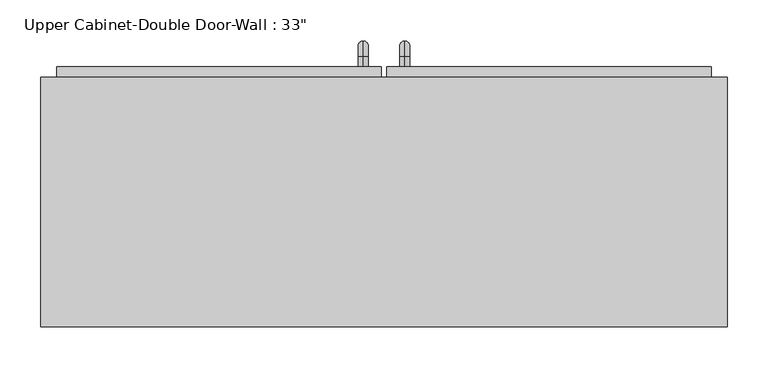
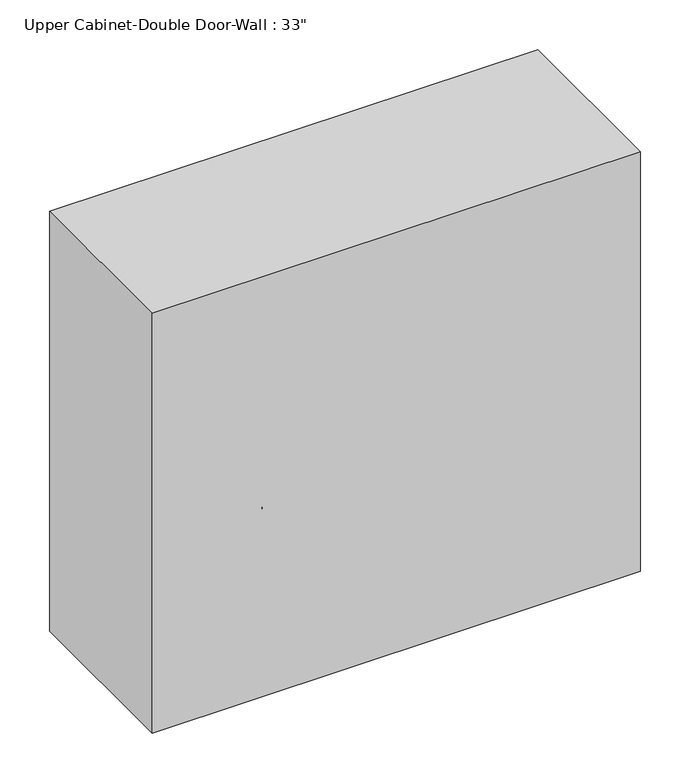
"""IFC4 building model written with IfcOpenShell, lengths in millimetres: furniture geometry."""

import ifcopenshell
import ifcopenshell.guid

model = None  # the IFC model being written
_history = None  # IfcOwnerHistory: only IFC2X3 demands one
_inside = {}  # id of a spatial element -> (the spatial element, [elements in it])
_under = {}  # id of a project, library or spatial element -> (it, [spatial elements below it])
_declared = {}  # id of a project -> (the project, [libraries it declares])
_typed = {}  # id of a type object -> (the type object, [elements of that type])
_made_of = {}  # id of a material, layer set ... -> (it, [elements and type objects made of it])


def new_model(schema):
    """Start an empty IFC model of exactly this schema.

    Asked for "IFC4X3", IfcOpenShell would pick the latest addendum, in which some entities
    have other attributes; the version numbers below select the first issue.
    IFC2X3 requires an IfcOwnerHistory on every rooted entity: one is made here for all.
    """
    global model, _history
    if schema == "IFC4X3":
        model = ifcopenshell.file(schema_version=(4, 3, 0, 0))
    else:
        model = ifcopenshell.file(schema=schema)
    _inside.clear()
    _under.clear()
    _declared.clear()
    _typed.clear()
    _made_of.clear()
    _history = None
    if model.schema == "IFC2X3":
        org = make("IfcOrganization", Name="unknown")
        user = make(
            "IfcPersonAndOrganization",
            ThePerson=make("IfcPerson", FamilyName="unknown"),
            TheOrganization=org,
        )
        app = make(
            "IfcApplication",
            ApplicationDeveloper=org,
            Version="unknown",
            ApplicationFullName="unknown",
            ApplicationIdentifier="unknown",
        )
        _history = make(
            "IfcOwnerHistory",
            OwningUser=user,
            OwningApplication=app,
            ChangeAction="ADDED",
            CreationDate=0,
        )
    return model


def make(cls, **values):
    """One entity of the class cls with the attributes given. An attribute that is None is left unset."""
    return model.create_entity(
        cls, **{name: value for name, value in values.items() if value is not None}
    )


def rooted(cls, **values):
    """An entity with a GlobalId (a new one), such as an element, a storey or a relation."""
    return make(cls, GlobalId=ifcopenshell.guid.new(), OwnerHistory=_history, **values)


def si_unit(unit_type, name, prefix=None):
    """IfcSIUnit, for example si_unit("LENGTHUNIT", "METRE", prefix="MILLI")."""
    return make("IfcSIUnit", UnitType=unit_type, Prefix=prefix, Name=name)


def assignment(units):
    """IfcUnitAssignment: the units of a project."""
    return None if units is None else make("IfcUnitAssignment", Units=units)


def point(xyz):
    """IfcCartesianPoint."""
    return None if xyz is None else make("IfcCartesianPoint", Coordinates=xyz)


def direction(xyz):
    """IfcDirection."""
    return None if xyz is None else make("IfcDirection", DirectionRatios=xyz)


def frame(location, z_axis=None, x_axis=None):
    """IfcAxis2Placement3D, a coordinate frame: its origin and axes. An axis left out is left unset."""
    return make(
        "IfcAxis2Placement3D",
        Location=point(location),
        Axis=direction(z_axis),
        RefDirection=direction(x_axis),
    )


def origin():
    """The frame at (0, 0, 0) with its axes left unset."""
    return frame((0.0, 0.0, 0.0))


def place(relative_to, where):
    """IfcLocalPlacement: puts the frame where relative to a parent placement (None: the world)."""
    return make(
        "IfcLocalPlacement", PlacementRelTo=relative_to, RelativePlacement=where
    )


def context(
    kind, dimensions, precision=None, world=None, true_north=None, identifier=None
):
    """IfcGeometricRepresentationContext, for example the 3D "Model" context."""
    return make(
        "IfcGeometricRepresentationContext",
        ContextIdentifier=identifier,
        ContextType=kind,
        CoordinateSpaceDimension=dimensions,
        Precision=precision,
        WorldCoordinateSystem=world,
        TrueNorth=true_north,
    )


def project(units=None, contexts=None):
    """IfcProject with its units and contexts."""
    return rooted(
        "IfcProject",
        Name="project",
        RepresentationContexts=contexts,
        UnitsInContext=assignment(units),
    )


def spatial(cls, under=None, at=None, **own):
    """A site, building, storey or space (cls), placed at a placement, below another one or the project."""
    s = rooted(cls, ObjectPlacement=at, **own)
    if under is not None:
        _under.setdefault(under.id(), (under, []))[1].append(s)
    return s


def polyline(points):
    """IfcPolyline through the points."""
    return make("IfcPolyline", Points=[point(p) for p in points])


def circle_curve(where, radius):
    """IfcCircle in the frame where."""
    return make("IfcCircle", Position=where, Radius=radius)


def ellipse_curve(where, semi_axis1, semi_axis2):
    """IfcEllipse in the frame where."""
    return make(
        "IfcEllipse", Position=where, SemiAxis1=semi_axis1, SemiAxis2=semi_axis2
    )


def trimmed(basis, trim1, trim2, sense, master):
    """IfcTrimmedCurve: the piece of a basis curve between two trims."""
    return make(
        "IfcTrimmedCurve",
        BasisCurve=basis,
        Trim1=trim1,
        Trim2=trim2,
        SenseAgreement=sense,
        MasterRepresentation=master,
    )


def outline(outer, holes=None, kind="AREA"):
    """IfcArbitraryClosedProfileDef: a profile drawn as a closed curve; with holes, ...WithVoids."""
    if holes is None:
        return make("IfcArbitraryClosedProfileDef", ProfileType=kind, OuterCurve=outer)
    return make(
        "IfcArbitraryProfileDefWithVoids",
        ProfileType=kind,
        OuterCurve=outer,
        InnerCurves=holes,
    )


def extrude(swept, where, along, depth):
    """IfcExtrudedAreaSolid: the profile swept, set in the frame where, extruded along a direction by depth."""
    return make(
        "IfcExtrudedAreaSolid",
        SweptArea=swept,
        Position=where,
        ExtrudedDirection=direction(along),
        Depth=depth,
    )


def faces_of(points, faces, orient=None, outer=None):
    """IfcFace entities. A face is a list of loops; a loop is a list of indices into points, from 0.

    orient and outer hold one flag for each loop. By default every Orientation is true, the
    first loop of a face is its IfcFaceOuterBound and the others are IfcFaceBound.
    """
    made = []
    for i, loops in enumerate(faces):
        bounds = []
        for j, loop in enumerate(loops):
            is_outer = j == 0 if outer is None else outer[i][j]
            bounds.append(
                make(
                    "IfcFaceOuterBound" if is_outer else "IfcFaceBound",
                    Bound=make("IfcPolyLoop", Polygon=[points[k] for k in loop]),
                    Orientation=True if orient is None else orient[i][j],
                )
            )
        made.append(make("IfcFace", Bounds=bounds))
    return made


def faceted_brep(points, faces, orient=None, outer=None, voids=None):
    """IfcFacetedBrep: a solid bounded by flat faces; with voids (closed shells), ...WithVoids."""
    shared = [point(p) for p in points]
    hull = make("IfcClosedShell", CfsFaces=faces_of(shared, faces, orient, outer))
    if voids is None:
        return make("IfcFacetedBrep", Outer=hull)
    return make(
        "IfcFacetedBrepWithVoids",
        Outer=hull,
        Voids=[
            make(cls, CfsFaces=faces_of(shared, fs, o, b)) for cls, fs, o, b in voids
        ],
    )


def shape(context_of_items, identifier, shape_type, items):
    """IfcShapeRepresentation: the items that make up one representation, for example the "Body"."""
    return make(
        "IfcShapeRepresentation",
        ContextOfItems=context_of_items,
        RepresentationIdentifier=identifier,
        RepresentationType=shape_type,
        Items=items,
    )


def source(mapping_origin, context_of_items, identifier, shape_type, items):
    """IfcRepresentationMap: a shape defined once, which mapped items show again and again."""
    return make(
        "IfcRepresentationMap",
        MappingOrigin=mapping_origin,
        MappedRepresentation=shape(context_of_items, identifier, shape_type, items),
    )


def transform(
    local_origin,
    x_axis=None,
    y_axis=None,
    z_axis=None,
    scale=None,
    scale2=None,
    scale3=None,
    uniform=True,
):
    """IfcCartesianTransformationOperator3D, or its non-uniform kind. x_axis, y_axis, z_axis: its Axis1, 2, 3."""
    if uniform:
        return make(
            "IfcCartesianTransformationOperator3D",
            Axis1=direction(x_axis),
            Axis2=direction(y_axis),
            LocalOrigin=point(local_origin),
            Scale=scale,
            Axis3=direction(z_axis),
        )
    return make(
        "IfcCartesianTransformationOperator3DnonUniform",
        Axis1=direction(x_axis),
        Axis2=direction(y_axis),
        LocalOrigin=point(local_origin),
        Scale=scale,
        Axis3=direction(z_axis),
        Scale2=scale2,
        Scale3=scale3,
    )


def mapped(mapping_source, mapping_target):
    """IfcMappedItem: shows the shape of a source again, moved by a transform."""
    return make(
        "IfcMappedItem", MappingSource=mapping_source, MappingTarget=mapping_target
    )


def made_of(thing, what):
    """Note that an element or type object is made of a material, layer set ...; save() writes the relation."""
    if what is not None:
        _made_of.setdefault(what.id(), (what, []))[1].append(thing)
    return thing


def element(
    cls,
    number,
    at=None,
    inside=None,
    cuts=None,
    type_object=None,
    material=None,
    context=None,
    identifier="Body",
    shape_type=None,
    held_by="IfcProductDefinitionShape",
    body=None,
    shapes=None,
    **own,
):
    """One element of the class cls, such as IfcWall. Its Tag is "e" and its number.

    at: its placement. inside: the storey or other place that contains it. cuts: it is an
    opening in that element (IfcRelVoidsElement). A single representation is given by context,
    identifier, shape_type and body (its items); several are given by shapes. held_by: the class
    of the entity that holds the representations. save() writes the other relations.
    """
    e = rooted(cls, Tag="e%d" % number, ObjectPlacement=at, **own)
    if body is not None:
        shapes = [shape(context, identifier, shape_type, body)]
    if shapes is not None:
        e.Representation = make(held_by, Representations=shapes)
    if inside is not None:
        _inside.setdefault(inside.id(), (inside, []))[1].append(e)
    if cuts is not None:
        rooted(
            "IfcRelVoidsElement", RelatingBuildingElement=cuts, RelatedOpeningElement=e
        )
    if type_object is not None:
        _typed.setdefault(type_object.id(), (type_object, []))[1].append(e)
    return made_of(e, material)


def aggregate(whole, parts):
    """IfcRelAggregates: a whole, such as a stair, and the parts it consists of."""
    return rooted("IfcRelAggregates", RelatingObject=whole, RelatedObjects=parts)


def save(model, path):
    """Write the relations noted so far, then the file.

    IfcRelAggregates (storeys below a building ...), IfcRelContainedInSpatialStructure (elements
    in a storey), IfcRelDefinesByType, IfcRelAssociatesMaterial and IfcRelDeclares: one each for
    every whole, place, type object, material and project.
    """
    for whole, parts in _under.values():
        aggregate(whole, parts)
    for where, things in _inside.values():
        rooted(
            "IfcRelContainedInSpatialStructure",
            RelatedElements=things,
            RelatingStructure=where,
        )
    for kind, things in _typed.values():
        rooted("IfcRelDefinesByType", RelatedObjects=things, RelatingType=kind)
    for what, things in _made_of.values():
        rooted("IfcRelAssociatesMaterial", RelatedObjects=things, RelatingMaterial=what)
    for by, libraries in _declared.values():
        rooted("IfcRelDeclares", RelatingContext=by, RelatedDefinitions=libraries)
    model.write(path)


def plane_surface(at):
    """IfcPlane: the flat surface through the origin of the frame at, square to its z axis."""
    return make("IfcPlane", Position=at)


def cylinder_surface(at, radius):
    """IfcCylindricalSurface: all points at the distance radius from the z axis of the frame at."""
    return make("IfcCylindricalSurface", Position=at, Radius=radius)


def revolved_surface(curve, axis_point, axis_direction):
    """IfcSurfaceOfRevolution: the curve turned about the line through axis_point along axis_direction."""
    return make(
        "IfcSurfaceOfRevolution",
        SweptCurve=make("IfcArbitraryOpenProfileDef", ProfileType="CURVE", Curve=curve),
        AxisPosition=make("IfcAxis1Placement", Location=point(axis_point), Axis=direction(axis_direction)),
    )


def advanced_brep(points, edges, surfaces, faces):
    """IfcAdvancedBrep: a solid bounded by faces that lie on surfaces and meet in shared edges.

    An edge is (start, end): straight between two places in points (the first is 0);
    or (start, end, curve); or (start, end, curve, False) where it runs against its curve.
    A face is (place in surfaces, loops), or (place, loops, False) where it looks against
    its surface's normal. A loop lists edges by number (the first is 1), with a minus sign
    where the edge is run from its end to its start. The first loop is the outer one.
    """
    corners = [point(p) for p in points]
    vertices = [make("IfcVertexPoint", VertexGeometry=c) for c in corners]
    made = []
    for start, end, *more in edges:
        made.append(
            make(
                "IfcEdgeCurve",
                EdgeStart=vertices[start],
                EdgeEnd=vertices[end],
                EdgeGeometry=more[0] if more else make("IfcPolyline", Points=[corners[start], corners[end]]),
                SameSense=more[1] if len(more) > 1 else True,
            )
        )
    hull = []
    for where, loops, *sense in faces:
        bounds = []
        for j, loop in enumerate(loops):
            ring = [make("IfcOrientedEdge", EdgeElement=made[abs(k) - 1], Orientation=k > 0) for k in loop]
            bounds.append(
                make(
                    "IfcFaceOuterBound" if j == 0 else "IfcFaceBound",
                    Bound=make("IfcEdgeLoop", EdgeList=ring),
                    Orientation=True,
                )
            )
        hull.append(make("IfcAdvancedFace", Bounds=bounds, FaceSurface=surfaces[where], SameSense=sense[0] if sense else True))
    return make("IfcAdvancedBrep", Outer=make("IfcClosedShell", CfsFaces=hull))


def furniture_72fdcf35(model_context):
    return source(origin(), model_context, "Body", "SolidModel", [
        faceted_brep([(-389.3288372, 101.6, 2133.6), (-389.3288372, 101.6, 1371.6), (448.8711628, 101.6, 1371.6), (448.8711628, 101.6, 2133.6), (-389.3288372, 406.4, 2133.6), (448.8711628, 406.4, 2133.6), (448.8711628, 406.4, 1371.6), (-389.3288372, 406.4, 1371.6), (-370.2788372, 406.4, 2114.55), (-370.2788372, 406.4, 1390.65), (429.8211628, 406.4, 1390.65), (429.8211628, 406.4, 2114.55), (429.8211628, 120.65, 2114.55), (-370.2788372, 120.65, 2114.55), (429.8211628, 120.65, 1390.65), (-370.2788372, 120.65, 1390.65)], [[[0, 1, 2, 3]], [[4, 5, 6, 7], [8, 9, 10, 11]], [[1, 0, 4, 7]], [[2, 1, 7, 6]], [[3, 2, 6, 5]], [[0, 3, 5, 4]], [[8, 11, 12, 13]], [[11, 10, 14, 12]], [[10, 9, 15, 14]], [[9, 8, 13, 15]], [[13, 12, 14, 15]]]),
        advanced_brep(
        [(55.1711628, 419.1, 1517.65), (55.1711628, 419.1, 1530.35), (55.1711628, 431.8, 1517.65), (55.1711628, 431.8, 1530.35), (55.1711628, 450.85, 1511.3), (55.1711628, 438.15, 1511.3), (55.1711628, 438.15, 1435.1), (55.1711628, 450.85, 1435.1), (55.1711628, 431.8, 1416.05), (55.1711628, 431.8, 1428.75), (55.1711628, 419.1, 1428.75), (55.1711628, 419.1, 1416.05)],
        [
            (0, 1, circle_curve(frame((55.1711628, 419.1, 1524.0), z_axis=(0.0, -1.0, 0.0), x_axis=(0.0, 0.0, -1.0)), 6.35)),
            (1, 0, circle_curve(frame((55.1711628, 419.1, 1524.0), z_axis=(0.0, -1.0, 0.0), x_axis=(0.0, 0.0, -1.0)), 6.35)),
            (0, 2),
            (2, 3, circle_curve(frame((55.1711628, 431.8, 1524.0), z_axis=(0.0, -1.0, 0.0), x_axis=(0.0, 0.0, -1.0)), 6.35)),
            (3, 1),
            (3, 2, circle_curve(frame((55.1711628, 431.8, 1524.0), z_axis=(0.0, -1.0, 0.0), x_axis=(0.0, 0.0, -1.0)), 6.35)),
            (4, 3, circle_curve(frame((55.1711628, 431.8, 1511.3), z_axis=(1.0, 0.0, 0.0), x_axis=(0.0, 0.0, 1.0)), 19.05)),
            (2, 5, circle_curve(frame((55.1711628, 431.8, 1511.3), z_axis=(-1.0, 0.0, 0.0), x_axis=(0.0, 0.0, 1.0)), 6.35)),
            (5, 4, circle_curve(frame((55.1711628, 444.5, 1511.3), z_axis=(0.0, 0.0, 1.0), x_axis=(0.0, -1.0, 0.0)), 6.35)),
            (4, 5, circle_curve(frame((55.1711628, 444.5, 1511.3), z_axis=(0.0, 0.0, 1.0), x_axis=(0.0, -1.0, 0.0)), 6.35)),
            (5, 6),
            (6, 7, circle_curve(frame((55.1711628, 444.5, 1435.1), z_axis=(0.0, 0.0, 1.0), x_axis=(0.0, -1.0, 0.0)), 6.35)),
            (7, 4),
            (7, 6, circle_curve(frame((55.1711628, 444.5, 1435.1), z_axis=(0.0, 0.0, 1.0), x_axis=(0.0, -1.0, 0.0)), 6.35)),
            (8, 7, circle_curve(frame((55.1711628, 431.8, 1435.1), z_axis=(1.0, 0.0, 0.0), x_axis=(0.0, 1.0, 0.0)), 19.05)),
            (6, 9, circle_curve(frame((55.1711628, 431.8, 1435.1), z_axis=(-1.0, 0.0, 0.0), x_axis=(0.0, 1.0, 0.0)), 6.35)),
            (9, 8, circle_curve(frame((55.1711628, 431.8, 1422.4), z_axis=(0.0, 1.0, 0.0), x_axis=(0.0, 0.0, 1.0)), 6.35)),
            (8, 9, circle_curve(frame((55.1711628, 431.8, 1422.4), z_axis=(0.0, 1.0, 0.0), x_axis=(0.0, 0.0, 1.0)), 6.35)),
            (10, 11, circle_curve(frame((55.1711628, 419.1, 1422.4), z_axis=(0.0, -1.0, 0.0), x_axis=(0.0, 0.0, 1.0)), 6.35)),
            (11, 10, circle_curve(frame((55.1711628, 419.1, 1422.4), z_axis=(0.0, -1.0, 0.0), x_axis=(0.0, 0.0, 1.0)), 6.35)),
            (9, 10),
            (11, 8),
        ],
        [
            plane_surface(frame((48.8211628, 419.1, 1524.0), z_axis=(0.0, -1.0, 0.0), x_axis=(0.0, 0.0, 1.0))),
            cylinder_surface(frame((55.1711628, 419.1, 1524.0), z_axis=(0.0, -1.0, 0.0), x_axis=(0.0, 0.0, -1.0)), 6.35),
            revolved_surface(trimmed(ellipse_curve(frame((55.1711628, 431.8, 1524.0), z_axis=(0.0, -1.0, 0.0), x_axis=(0.0, 0.0, -1.0)), 6.35, 6.35), [point((55.1711628, 431.8, 1517.65))], [point((55.1711628, 431.8, 1530.35))], True, "CARTESIAN"), (55.1711628, 431.8, 1511.3), (-1.0, 0.0, 0.0)),
            revolved_surface(trimmed(ellipse_curve(frame((55.1711628, 431.8, 1524.0), z_axis=(0.0, -1.0, 0.0), x_axis=(0.0, 0.0, -1.0)), 6.35, 6.35), [point((55.1711628, 431.8, 1530.35))], [point((55.1711628, 431.8, 1517.65))], True, "CARTESIAN"), (55.1711628, 431.8, 1511.3), (-1.0, 0.0, 0.0)),
            cylinder_surface(frame((55.1711628, 444.5, 1511.3), z_axis=(0.0, 0.0, 1.0), x_axis=(0.0, -1.0, 0.0)), 6.35),
            revolved_surface(trimmed(ellipse_curve(frame((55.1711628, 444.5, 1435.1), z_axis=(0.0, 0.0, 1.0), x_axis=(0.0, -1.0, 0.0)), 6.35, 6.35), [point((55.1711628, 438.15, 1435.1))], [point((55.1711628, 450.85, 1435.1))], True, "CARTESIAN"), (55.1711628, 431.8, 1435.1), (-1.0, 0.0, 0.0)),
            revolved_surface(trimmed(ellipse_curve(frame((55.1711628, 444.5, 1435.1), z_axis=(0.0, 0.0, 1.0), x_axis=(0.0, -1.0, 0.0)), 6.35, 6.35), [point((55.1711628, 450.85, 1435.1))], [point((55.1711628, 438.15, 1435.1))], True, "CARTESIAN"), (55.1711628, 431.8, 1435.1), (-1.0, 0.0, 0.0)),
            plane_surface(frame((48.8211628, 419.1, 1422.4), z_axis=(0.0, -1.0, 0.0), x_axis=(0.0, 0.0, -1.0))),
            cylinder_surface(frame((55.1711628, 431.8, 1422.4), z_axis=(0.0, 1.0, 0.0), x_axis=(0.0, 0.0, 1.0)), 6.35),
        ],
        [
            (0, [[1, 2]]),
            (1, [[-1, 3, 4, 5]]),
            (1, [[-2, -5, 6, -3]]),
            (2, [[7, -4, 8, 9]]),
            (3, [[-8, -6, -7, 10]]),
            (4, [[-9, 11, 12, 13]]),
            (4, [[-10, -13, 14, -11]]),
            (5, [[15, -12, 16, 17]]),
            (6, [[-16, -14, -15, 18]]),
            (7, [[19, 20]]),
            (8, [[-17, 21, -20, 22]]),
            (8, [[-18, -22, -19, -21]]),
        ],
    ),
        advanced_brep(
        [(4.3711628, 419.1, 1517.65), (4.3711628, 419.1, 1530.35), (4.3711628, 431.8, 1517.65), (4.3711628, 431.8, 1530.35), (4.3711628, 450.85, 1511.3), (4.3711628, 438.15, 1511.3), (4.3711628, 438.15, 1435.1), (4.3711628, 450.85, 1435.1), (4.3711628, 431.8, 1416.05), (4.3711628, 431.8, 1428.75), (4.3711628, 419.1, 1428.75), (4.3711628, 419.1, 1416.05)],
        [
            (0, 1, circle_curve(frame((4.3711628, 419.1, 1524.0), z_axis=(0.0, -1.0, 0.0), x_axis=(0.0, 0.0, 1.0)), 6.35)),
            (1, 0, circle_curve(frame((4.3711628, 419.1, 1524.0), z_axis=(0.0, -1.0, 0.0), x_axis=(0.0, 0.0, 1.0)), 6.35)),
            (0, 2),
            (2, 3, circle_curve(frame((4.3711628, 431.8, 1524.0), z_axis=(0.0, -1.0, 0.0), x_axis=(0.0, 0.0, 1.0)), 6.35)),
            (3, 1),
            (3, 2, circle_curve(frame((4.3711628, 431.8, 1524.0), z_axis=(0.0, -1.0, 0.0), x_axis=(0.0, 0.0, 1.0)), 6.35)),
            (4, 3, circle_curve(frame((4.3711628, 431.8, 1511.3), z_axis=(1.0, 0.0, 0.0), x_axis=(0.0, 0.0, 1.0)), 19.05)),
            (2, 5, circle_curve(frame((4.3711628, 431.8, 1511.3), z_axis=(-1.0, 0.0, 0.0), x_axis=(0.0, 0.0, 1.0)), 6.35)),
            (5, 4, circle_curve(frame((4.3711628, 444.5, 1511.3), z_axis=(0.0, 0.0, 1.0), x_axis=(0.0, 1.0, 0.0)), 6.35)),
            (4, 5, circle_curve(frame((4.3711628, 444.5, 1511.3), z_axis=(0.0, 0.0, 1.0), x_axis=(0.0, 1.0, 0.0)), 6.35)),
            (5, 6),
            (6, 7, circle_curve(frame((4.3711628, 444.5, 1435.1), z_axis=(0.0, 0.0, 1.0), x_axis=(0.0, 1.0, 0.0)), 6.35)),
            (7, 4),
            (7, 6, circle_curve(frame((4.3711628, 444.5, 1435.1), z_axis=(0.0, 0.0, 1.0), x_axis=(0.0, 1.0, 0.0)), 6.35)),
            (8, 7, circle_curve(frame((4.3711628, 431.8, 1435.1), z_axis=(1.0, 0.0, 0.0), x_axis=(0.0, 1.0, 0.0)), 19.05)),
            (6, 9, circle_curve(frame((4.3711628, 431.8, 1435.1), z_axis=(-1.0, 0.0, 0.0), x_axis=(0.0, 1.0, 0.0)), 6.35)),
            (9, 8, circle_curve(frame((4.3711628, 431.8, 1422.4), z_axis=(0.0, 1.0, 0.0), x_axis=(0.0, 0.0, -1.0)), 6.35)),
            (8, 9, circle_curve(frame((4.3711628, 431.8, 1422.4), z_axis=(0.0, 1.0, 0.0), x_axis=(0.0, 0.0, -1.0)), 6.35)),
            (10, 11, circle_curve(frame((4.3711628, 419.1, 1422.4), z_axis=(0.0, -1.0, 0.0), x_axis=(0.0, 0.0, -1.0)), 6.35)),
            (11, 10, circle_curve(frame((4.3711628, 419.1, 1422.4), z_axis=(0.0, -1.0, 0.0), x_axis=(0.0, 0.0, -1.0)), 6.35)),
            (9, 10),
            (11, 8),
        ],
        [
            plane_surface(frame((-1.9788372, 419.1, 1524.0), z_axis=(0.0, -1.0, 0.0), x_axis=(0.0, 0.0, 1.0))),
            cylinder_surface(frame((4.3711628, 419.1, 1524.0), z_axis=(0.0, -1.0, 0.0), x_axis=(0.0, 0.0, 1.0)), 6.35),
            revolved_surface(trimmed(ellipse_curve(frame((4.3711628, 431.8, 1524.0), z_axis=(0.0, -1.0, 0.0), x_axis=(0.0, 0.0, 1.0)), 6.35, 6.35), [point((4.3711628, 431.8, 1517.65))], [point((4.3711628, 431.8, 1530.35))], True, "CARTESIAN"), (4.3711628, 431.8, 1511.3), (-1.0, 0.0, 0.0)),
            revolved_surface(trimmed(ellipse_curve(frame((4.3711628, 431.8, 1524.0), z_axis=(0.0, -1.0, 0.0), x_axis=(0.0, 0.0, 1.0)), 6.35, 6.35), [point((4.3711628, 431.8, 1530.35))], [point((4.3711628, 431.8, 1517.65))], True, "CARTESIAN"), (4.3711628, 431.8, 1511.3), (-1.0, 0.0, 0.0)),
            cylinder_surface(frame((4.3711628, 444.5, 1511.3), z_axis=(0.0, 0.0, 1.0), x_axis=(0.0, 1.0, 0.0)), 6.35),
            revolved_surface(trimmed(ellipse_curve(frame((4.3711628, 444.5, 1435.1), z_axis=(0.0, 0.0, 1.0), x_axis=(0.0, 1.0, 0.0)), 6.35, 6.35), [point((4.3711628, 438.15, 1435.1))], [point((4.3711628, 450.85, 1435.1))], True, "CARTESIAN"), (4.3711628, 431.8, 1435.1), (-1.0, 0.0, 0.0)),
            revolved_surface(trimmed(ellipse_curve(frame((4.3711628, 444.5, 1435.1), z_axis=(0.0, 0.0, 1.0), x_axis=(0.0, 1.0, 0.0)), 6.35, 6.35), [point((4.3711628, 450.85, 1435.1))], [point((4.3711628, 438.15, 1435.1))], True, "CARTESIAN"), (4.3711628, 431.8, 1435.1), (-1.0, 0.0, 0.0)),
            plane_surface(frame((-1.9788372, 419.1, 1422.4), z_axis=(0.0, -1.0, 0.0), x_axis=(0.0, 0.0, -1.0))),
            cylinder_surface(frame((4.3711628, 431.8, 1422.4), z_axis=(0.0, 1.0, 0.0), x_axis=(0.0, 0.0, -1.0)), 6.35),
        ],
        [
            (0, [[1, 2]]),
            (1, [[-1, 3, 4, 5]]),
            (1, [[-2, -5, 6, -3]]),
            (2, [[7, -4, 8, 9]]),
            (3, [[-8, -6, -7, 10]]),
            (4, [[-9, 11, 12, 13]]),
            (4, [[-10, -13, 14, -11]]),
            (5, [[15, -12, 16, 17]]),
            (6, [[-16, -14, -15, 18]]),
            (7, [[19, 20]]),
            (8, [[-17, 21, -20, 22]]),
            (8, [[-18, -22, -19, -21]]),
        ],
    ),
        extrude(outline(polyline([(32.9461628, 419.1), (429.8211628, 419.1), (429.8211628, 387.35), (32.9461628, 387.35), (32.9461628, 419.1)])), frame((0.0, 0.0, 1390.65), z_axis=(0.0, 0.0, 1.0), x_axis=(1.0, 0.0, 0.0)), (0.0, 0.0, 1.0), 723.9),
        extrude(outline(polyline([(-370.2788372, 419.1), (26.5961628, 419.1), (26.5961628, 387.35), (-370.2788372, 387.35), (-370.2788372, 419.1)])), frame((0.0, 0.0, 1390.65), z_axis=(0.0, 0.0, 1.0), x_axis=(1.0, 0.0, 0.0)), (0.0, 0.0, 1.0), 723.9),
    ])


if __name__ == "__main__":
    model = new_model("IFC4")
    model_context = context("Model", 3, world=origin())
    ifc_project = project(units=[si_unit("LENGTHUNIT", "METRE", prefix="MILLI")], contexts=[model_context])
    site = spatial("IfcSite", under=ifc_project)
    building = spatial("IfcBuilding", under=site)
    placement = place(None, origin())
    furniture_shape = furniture_72fdcf35(model_context)
    element("IfcFurniture", 1, ObjectType="Upper Cabinet-Double Door-Wall : 33\"", at=placement, inside=building, context=model_context, shape_type="MappedRepresentation", body=[
        mapped(furniture_shape, transform((0.0, 0.0, 0.0), x_axis=(1.0, 0.0, 0.0), y_axis=(0.0, 1.0, 0.0), z_axis=(0.0, 0.0, 1.0))),
    ])
    save(model, "model.ifc")
